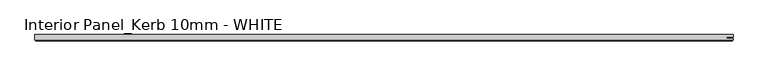
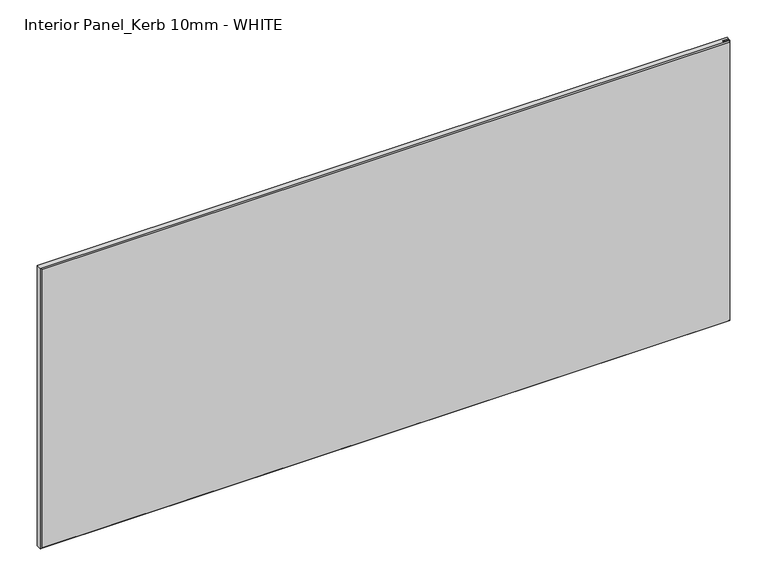
"""IFC4 building model written with IfcOpenShell, lengths in millimetres: proxy geometry, Interior Panel_Kerb 10mm - WHITE."""

from ifc_helpers import new_model, si_unit, origin, place, context, project, spatial, faceted_brep, source, transform, mapped, element, save


def interior_panel_kerb_10mm_white_9727f6d5(model_context):
    return source(origin(), model_context, "Body", "Brep", [
        faceted_brep([(990.6, 3.175, 457.2), (-73.025, 3.175, 457.2), (-73.025, -4.7625, 457.2), (990.6, -4.7625, 457.2), (990.6, -2.6543, 457.2), (980.7773437, -2.6543, 457.2), (980.7773437, -0.5207, 457.2), (990.6, -0.5207, 457.2), (990.6, 3.175, 0.0), (990.6, -0.5207, 0.0), (980.7773437, -0.5207, 0.0), (980.7773437, -2.6543, 0.0), (990.6, -2.6543, 0.0), (990.6, -4.7625, 0.0), (-73.025, -4.7625, 0.0), (-73.025, 3.175, 0.0), (-71.4375, -6.35, 455.6125), (-71.4375, -6.35, 1.5875), (989.0125, -6.35, 1.5875), (989.0125, -6.35, 455.6125)], [[[0, 1, 2, 3, 4, 5, 6, 7]], [[8, 9, 10, 11, 12, 13, 14, 15]], [[1, 0, 8, 15]], [[2, 1, 15, 14]], [[16, 17, 18, 19]], [[4, 3, 13, 12]], [[2, 14, 17, 16]], [[13, 3, 19, 18]], [[3, 2, 16, 19]], [[14, 13, 18, 17]], [[5, 4, 12, 11]], [[6, 5, 11, 10]], [[7, 6, 10, 9]], [[0, 7, 9, 8]]]),
    ])


if __name__ == "__main__":
    model = new_model("IFC4")
    model_context = context("Model", 3, world=origin())
    ifc_project = project(units=[si_unit("LENGTHUNIT", "METRE", prefix="MILLI")], contexts=[model_context])
    site = spatial("IfcSite", under=ifc_project)
    building = spatial("IfcBuilding", under=site)
    placement = place(None, origin())
    interior_panel_kerb_10mm_white_shape = interior_panel_kerb_10mm_white_9727f6d5(model_context)
    element("IfcBuildingElementProxy", 1, Name="Interior Panel_Kerb 10mm - WHITE", ObjectType="Interior Panel_Kerb 10mm - WHITE", at=placement, inside=building, context=model_context, shape_type="MappedRepresentation", body=[
        mapped(interior_panel_kerb_10mm_white_shape, transform((0.0, 0.0, 0.0), x_axis=(1.0, 0.0, 0.0), y_axis=(0.0, 1.0, 0.0), z_axis=(0.0, 0.0, 1.0))),
    ])
    save(model, "model.ifc")
